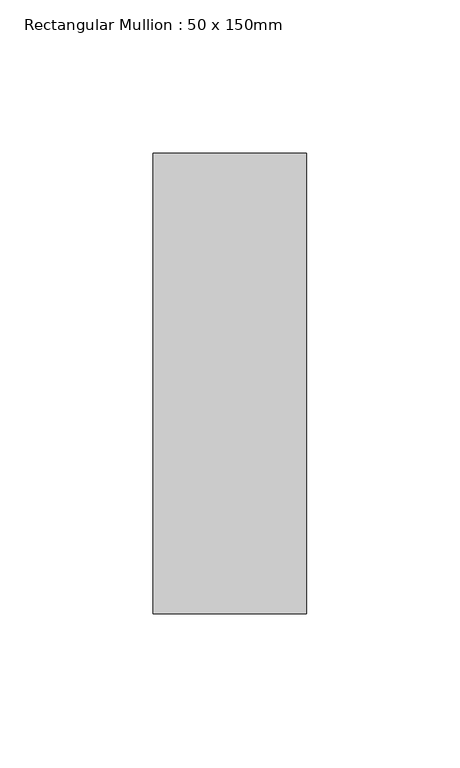
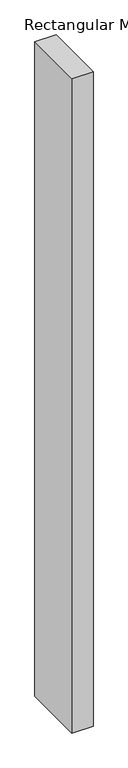
"""IFC4 building model written with IfcOpenShell, lengths in millimetres: member geometry, Rectangular Mullion : 50 x 150mm."""

from ifc_helpers import new_model, si_unit, frame, origin, place, context, project, spatial, polyline, outline, extrude, source, transform, mapped, element, save


def rectangular_mullion_50_x_150mm_5c2d0f14(model_context):
    return source(origin(), model_context, "Body", "SweptSolid", [
        extrude(outline(polyline([(25.0, 75.0), (25.0, -75.0), (-25.0, -75.0), (-25.0, 75.0), (25.0, 75.0)])), frame((0.0, 0.0, -1625.0), z_axis=(0.0, 0.0, 1.0), x_axis=(1.0, 0.0, 0.0)), (0.0, 0.0, 1.0), 1625.0),
    ])


if __name__ == "__main__":
    model = new_model("IFC4")
    model_context = context("Model", 3, world=origin())
    ifc_project = project(units=[si_unit("LENGTHUNIT", "METRE", prefix="MILLI")], contexts=[model_context])
    site = spatial("IfcSite", under=ifc_project)
    building = spatial("IfcBuilding", under=site)
    placement = place(None, origin())
    rectangular_mullion_50_x_150mm_shape = rectangular_mullion_50_x_150mm_5c2d0f14(model_context)
    element("IfcMember", 1, ObjectType="Rectangular Mullion : 50 x 150mm", at=placement, inside=building, context=model_context, shape_type="MappedRepresentation", body=[
        mapped(rectangular_mullion_50_x_150mm_shape, transform((0.0, 0.0, 0.0), x_axis=(1.0, 0.0, 0.0), y_axis=(0.0, 1.0, 0.0), z_axis=(0.0, 0.0, 1.0))),
    ])
    save(model, "model.ifc")
